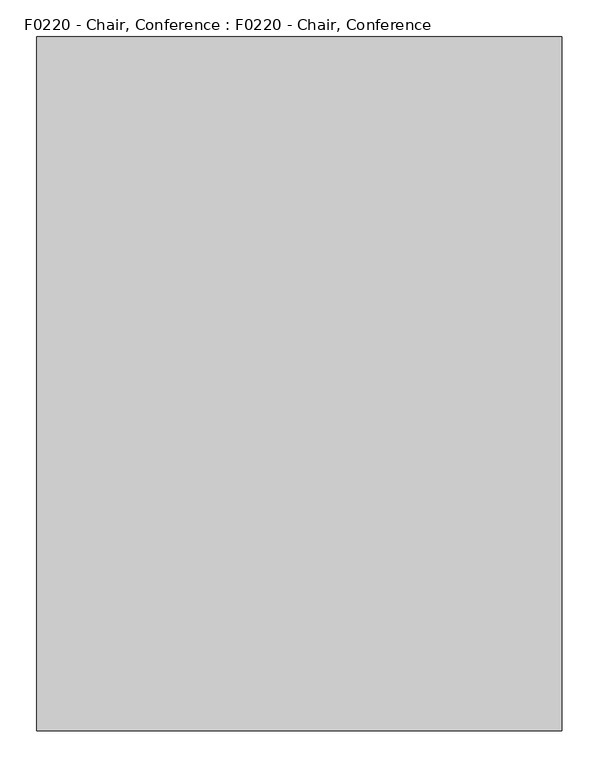
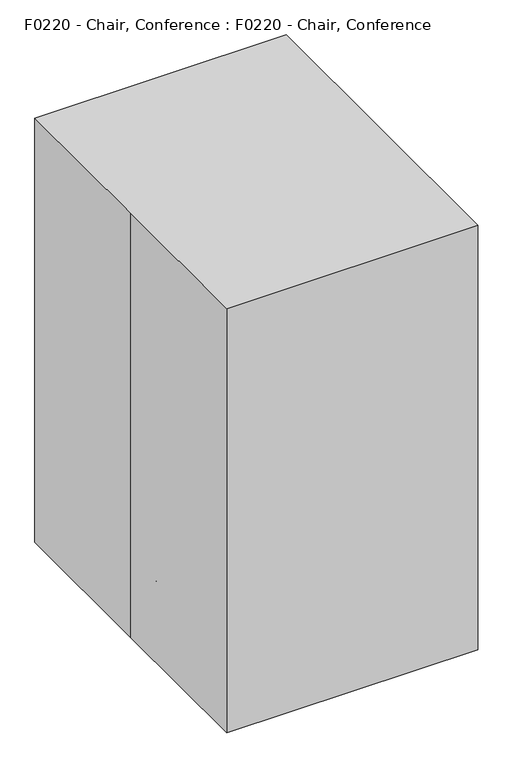
"""IFC4 building model written with IfcOpenShell, lengths in millimetres: proxy geometry, F0220 - Chair, Conference : F0220 - Chair, Conference."""

from ifc_helpers import new_model, si_unit, point, frame, frame_2d, origin, origin_with_axes, place, context, project, spatial, polyline, circle_curve, trimmed, segment, composite_curve, outline, extrude, source, transform, mapped, element, save


def f0220_chair_conference_f0220_chair_conference_108e408b(model_context):
    return source(origin(), model_context, "Body", "SweptSolid", [
        extrude(outline(composite_curve([segment(trimmed(circle_curve(frame_2d((-2805.3800547, 1304.0750987)), 3060.7285659), [point((198.0349358, 714.5348127))], [point((118.7343031, 399.8546738))], False, "CARTESIAN"), True, "CONTINUOUS"), segment(trimmed(circle_curve(frame_2d((100.534591, 405.4825492)), 19.05), [point((118.7343031, 399.8546738))], [point((105.1618297, 387.0030697))], False, "CARTESIAN"), True, "CONTINUOUS"), segment(trimmed(circle_curve(frame_2d((-162.2778089, 1455.0580424)), 1101.029239), [point((105.1618297, 387.0030697))], [point((-130.1679679, 354.4971204))], False, "CARTESIAN"), True, "CONTINUOUS"), segment(trimmed(circle_curve(frame_2d((-130.7253538, 373.6014546)), 19.1124636), [point((-130.1679679, 354.4971204))], [point((-149.3885196, 369.4816842))], False, "CARTESIAN"), True, "CONTINUOUS"), segment(trimmed(circle_curve(frame_2d((-3761.6361916, -374.3179053)), 3688.0307853), [point((-149.3885196, 369.4816842))], [point((-223.0180491, 664.7935973))], True, "CARTESIAN"), True, "CONTINUOUS"), segment(trimmed(circle_curve(frame_2d((-191.899909, 673.9314065)), 32.4320551), [point((-223.0180491, 664.7935973))], [point((-199.5454041, 705.4494109))], False, "CARTESIAN"), True, "CONTINUOUS"), segment(trimmed(circle_curve(frame_2d((247.6440644, -1138.0570375)), 1896.9698064), [point((-199.5454041, 705.4494109))], [point((148.1330889, 756.3009044))], False, "CARTESIAN"), True, "CONTINUOUS"), segment(trimmed(circle_curve(frame_2d((150.6388016, 708.6004709)), 47.766201), [point((148.1330889, 756.3009044))], [point((198.0349358, 714.5348127))], False, "CARTESIAN"), True, "CONTINUOUS")], self_intersect=False), holes=[composite_curve([segment(trimmed(circle_curve(frame_2d((-66.9177692, 461.5194098)), 6.35), [point((-73.1113918, 460.1188599))], [point((-66.5438386, 455.1804291))], True, "CARTESIAN"), True, "CONTINUOUS"), segment(trimmed(circle_curve(frame_2d((-101.0132299, 1039.5155642)), 585.350911), [point((-66.5438386, 455.1804291))], [point((128.3622175, 500.9781067))], True, "CARTESIAN"), True, "CONTINUOUS"), segment(trimmed(circle_curve(frame_2d((126.680533, 504.9264372)), 4.2915471), [point((128.3622175, 500.9781067))], [point((130.8903964, 504.0931145))], True, "CARTESIAN"), True, "CONTINUOUS"), segment(trimmed(circle_curve(frame_2d((-759.7794283, 778.2042207)), 931.8957212), [point((130.8903964, 504.0931145))], [point((168.8978085, 700.8205979))], True, "CARTESIAN"), True, "CONTINUOUS"), segment(trimmed(circle_curve(frame_2d((158.5019867, 704.2209179)), 10.9377917), [point((168.8978085, 700.8205979))], [point((158.6222944, 715.1580479))], True, "CARTESIAN"), True, "CONTINUOUS"), segment(trimmed(circle_curve(frame_2d((148.2190665, -230.5954958)), 945.8107594), [point((158.6222944, 715.1580479))], [point((-122.0525094, 675.777092))], True, "CARTESIAN"), True, "CONTINUOUS"), segment(trimmed(circle_curve(frame_2d((-120.2379556, 669.6918727)), 6.35), [point((-122.0525094, 675.777092))], [point((-126.3422335, 667.9425038))], True, "CARTESIAN"), True, "CONTINUOUS"), segment(trimmed(circle_curve(frame_2d((-3763.2236916, -374.3179053)), 3783.2807853), [point((-126.3422335, 667.9425038))], [point((-73.1113918, 460.1188599))], False, "CARTESIAN"), True, "CONTINUOUS")], self_intersect=False), composite_curve([segment(trimmed(circle_curve(frame_2d((75.1083774, 436.9373529)), 25.4), [point((100.5083774, 436.9373529))], [point((49.7083774, 436.9373529))], True, "CARTESIAN"), True, "CONTINUOUS"), segment(trimmed(circle_curve(frame_2d((75.1083774, 436.9373529)), 25.4), [point((49.7083774, 436.9373529))], [point((100.5083774, 436.9373529))], True, "CARTESIAN"), True, "CONTINUOUS")], self_intersect=False)]), frame((-314.9537243, 0.0, 0.0), z_axis=(1.0, 0.0, 0.0), x_axis=(0.0, 1.0, 0.0)), (0.0, 0.0, 1.0), 39.2620143),
        extrude(outline(composite_curve([segment(trimmed(circle_curve(frame_2d((-2805.3800547, 1304.0750987)), 3060.7285659), [point((198.0349358, 714.5348127))], [point((118.7343031, 399.8546738))], False, "CARTESIAN"), True, "CONTINUOUS"), segment(trimmed(circle_curve(frame_2d((100.534591, 405.4825492)), 19.05), [point((118.7343031, 399.8546738))], [point((105.1618297, 387.0030697))], False, "CARTESIAN"), True, "CONTINUOUS"), segment(trimmed(circle_curve(frame_2d((-162.2778089, 1455.0580424)), 1101.029239), [point((105.1618297, 387.0030697))], [point((-130.1679679, 354.4971204))], False, "CARTESIAN"), True, "CONTINUOUS"), segment(trimmed(circle_curve(frame_2d((-130.7253538, 373.6014546)), 19.1124636), [point((-130.1679679, 354.4971204))], [point((-149.3885196, 369.4816842))], False, "CARTESIAN"), True, "CONTINUOUS"), segment(trimmed(circle_curve(frame_2d((-3761.6361916, -374.3179053)), 3688.0307853), [point((-149.3885196, 369.4816842))], [point((-223.0180491, 664.7935973))], True, "CARTESIAN"), True, "CONTINUOUS"), segment(trimmed(circle_curve(frame_2d((-191.899909, 673.9314065)), 32.4320551), [point((-223.0180491, 664.7935973))], [point((-199.5454041, 705.4494109))], False, "CARTESIAN"), True, "CONTINUOUS"), segment(trimmed(circle_curve(frame_2d((247.6440644, -1138.0570375)), 1896.9698064), [point((-199.5454041, 705.4494109))], [point((148.1330889, 756.3009044))], False, "CARTESIAN"), True, "CONTINUOUS"), segment(trimmed(circle_curve(frame_2d((150.6388016, 708.6004709)), 47.766201), [point((148.1330889, 756.3009044))], [point((198.0349358, 714.5348127))], False, "CARTESIAN"), True, "CONTINUOUS")], self_intersect=False), holes=[composite_curve([segment(trimmed(circle_curve(frame_2d((-66.9177692, 461.5194098)), 6.35), [point((-73.1113918, 460.1188599))], [point((-66.5438386, 455.1804291))], True, "CARTESIAN"), True, "CONTINUOUS"), segment(trimmed(circle_curve(frame_2d((-101.0132299, 1039.5155642)), 585.350911), [point((-66.5438386, 455.1804291))], [point((128.3622175, 500.9781067))], True, "CARTESIAN"), True, "CONTINUOUS"), segment(trimmed(circle_curve(frame_2d((126.680533, 504.9264372)), 4.2915471), [point((128.3622175, 500.9781067))], [point((130.8903964, 504.0931145))], True, "CARTESIAN"), True, "CONTINUOUS"), segment(trimmed(circle_curve(frame_2d((-759.7794283, 778.2042207)), 931.8957212), [point((130.8903964, 504.0931145))], [point((168.8978085, 700.8205979))], True, "CARTESIAN"), True, "CONTINUOUS"), segment(trimmed(circle_curve(frame_2d((158.5019867, 704.2209179)), 10.9377917), [point((168.8978085, 700.8205979))], [point((158.6222944, 715.1580479))], True, "CARTESIAN"), True, "CONTINUOUS"), segment(trimmed(circle_curve(frame_2d((148.2190665, -230.5954958)), 945.8107594), [point((158.6222944, 715.1580479))], [point((-122.0525094, 675.777092))], True, "CARTESIAN"), True, "CONTINUOUS"), segment(trimmed(circle_curve(frame_2d((-120.2379556, 669.6918727)), 6.35), [point((-122.0525094, 675.777092))], [point((-126.3422335, 667.9425038))], True, "CARTESIAN"), True, "CONTINUOUS"), segment(trimmed(circle_curve(frame_2d((-3763.2236916, -374.3179053)), 3783.2807853), [point((-126.3422335, 667.9425038))], [point((-73.1113918, 460.1188599))], False, "CARTESIAN"), True, "CONTINUOUS")], self_intersect=False), composite_curve([segment(trimmed(circle_curve(frame_2d((75.1083774, 436.9373529)), 25.4), [point((100.5083774, 436.9373529))], [point((49.7083774, 436.9373529))], True, "CARTESIAN"), True, "CONTINUOUS"), segment(trimmed(circle_curve(frame_2d((75.1083774, 436.9373529)), 25.4), [point((49.7083774, 436.9373529))], [point((100.5083774, 436.9373529))], True, "CARTESIAN"), True, "CONTINUOUS")], self_intersect=False)]), frame((271.12451, 0.0, 0.0), z_axis=(1.0, 0.0, 0.0), x_axis=(0.0, 1.0, 0.0)), (0.0, 0.0, 1.0), 39.2620143),
        extrude(outline(composite_curve([segment(trimmed(circle_curve(frame_2d((-372.6484361, 451.7180208)), 272.1809011), [point((-111.7421407, 374.1915867))], [point((-101.095609, 433.2381658))], True, "CARTESIAN"), True, "CONTINUOUS"), segment(trimmed(circle_curve(frame_2d((-4835.7008841, 28959.843718)), 28916.8413116), [point((-101.095609, 433.2381658))], [point((373.7715771, 516.1254639))], True, "CARTESIAN"), True, "CONTINUOUS"), segment(trimmed(circle_curve(frame_2d((374.0108609, 514.8189745)), 1.3282211), [point((373.7715771, 516.1254639))], [point((375.3000584, 514.4993794))], False, "CARTESIAN"), True, "CONTINUOUS"), segment(trimmed(circle_curve(frame_2d((-98.7973004, 632.0292447)), 488.4481292), [point((375.3000584, 514.4993794))], [point((362.6416414, 471.8553457))], False, "CARTESIAN"), True, "CONTINUOUS"), segment(trimmed(circle_curve(frame_2d((339.6116127, 481.3140746)), 24.8967824), [point((362.6416414, 471.8553457))], [point((347.9694417, 457.8620711))], False, "CARTESIAN"), True, "CONTINUOUS"), segment(trimmed(circle_curve(frame_2d((-506.6033889, 2855.7868315)), 2545.6507771), [point((347.9694417, 457.8620711))], [point((134.5247888, 392.1934115))], False, "CARTESIAN"), True, "CONTINUOUS"), segment(trimmed(circle_curve(frame_2d((-37.6202721, 1053.676488)), 683.5157514), [point((134.5247888, 392.1934115))], [point((-111.7421407, 374.1915867))], False, "CARTESIAN"), True, "CONTINUOUS")], self_intersect=False)), frame((-231.12451, 0.0, 0.0), z_axis=(1.0, 0.0, 0.0), x_axis=(0.0, 1.0, 0.0)), (0.0, 0.0, 1.0), 462.24902),
        extrude(outline(composite_curve([segment(trimmed(circle_curve(frame_2d((-44.8596958, 442.8672983)), 56.1400902), [point((-100.1936839, 433.3878744))], [point((-57.4821948, 497.5699695))], False, "CARTESIAN"), True, "CONTINUOUS"), segment(polyline([(-57.4821948, 497.5699695), (329.2387988, 586.8048326)]), True, "CONTINUOUS"), segment(trimmed(circle_curve(frame_2d((337.8714769, 547.9478646)), 39.8043602), [point((329.2387988, 586.8048326))], [point((375.5072388, 534.9888325))], False, "CARTESIAN"), True, "CONTINUOUS"), segment(polyline([(375.5072388, 534.9888325), (368.6918771, 515.1955847)]), True, "CONTINUOUS"), segment(trimmed(circle_curve(frame_2d((-4835.7008841, 28959.843718)), 28916.8413116), [point((368.6918771, 515.1955847))], [point((-100.1936839, 433.3878744))], False, "CARTESIAN"), True, "CONTINUOUS")], self_intersect=False)), frame((-231.12451, 0.0, 0.0), z_axis=(1.0, 0.0, 0.0), x_axis=(0.0, 1.0, 0.0)), (0.0, 0.0, 1.0), 462.24902),
        extrude(outline(composite_curve([segment(trimmed(circle_curve(frame_2d((1417.0681516, 1299.9958146)), 1797.0375094), [point((-295.9217875, 756.8482485))], [point((-338.5503906, 916.3979206))], False, "CARTESIAN"), True, "CONTINUOUS"), segment(polyline([(-338.5503906, 916.3979206), (-343.4429244, 997.0848768)]), True, "CONTINUOUS"), segment(trimmed(circle_curve(frame_2d((-359.4080387, 996.1168162)), 15.994437), [point((-343.4429244, 997.0848768))], [point((-351.0750151, 1009.7690224))], True, "CARTESIAN"), True, "CONTINUOUS"), segment(trimmed(circle_curve(frame_2d((-311.3311922, 1022.0586876)), 41.6005688), [point((-351.0750151, 1009.7690224))], [point((-352.912507, 1020.7931497))], False, "CARTESIAN"), True, "CONTINUOUS"), segment(polyline([(-352.912507, 1020.7931497), (-358.8102884, 1056.1771922)]), True, "CONTINUOUS"), segment(trimmed(circle_curve(frame_2d((-620.7785538, 1012.5125498)), 265.5823282), [point((-358.8102884, 1056.1771922))], [point((-369.341096, 1098.0296701))], True, "CARTESIAN"), True, "CONTINUOUS"), segment(trimmed(circle_curve(frame_2d((-425.1925283, 1320.5559632)), 229.4282755), [point((-369.341096, 1098.0296701))], [point((-333.7884545, 1110.1215817))], True, "CARTESIAN"), True, "CONTINUOUS"), segment(trimmed(circle_curve(frame_2d((-333.0109639, 1071.4148884)), 38.7145011), [point((-333.7884545, 1110.1215817))], [point((-294.5727558, 1076.0318949))], False, "CARTESIAN"), True, "CONTINUOUS"), segment(trimmed(circle_curve(frame_2d((622.2402424, 1186.1549138)), 923.4030285), [point((-294.5727558, 1076.0318949))], [point((-168.0167595, 708.4865938))], True, "CARTESIAN"), True, "CONTINUOUS"), segment(trimmed(circle_curve(frame_2d((-464.9356368, 529.014927)), 346.945095), [point((-168.0167595, 708.4865938))], [point((-117.9905419, 529.014927))], False, "CARTESIAN"), True, "CONTINUOUS"), segment(trimmed(circle_curve(frame_2d((-25.2199729, 533.915415)), 92.8999099), [point((-117.9905419, 529.014927))], [point((-93.4923537, 470.9132304))], True, "CARTESIAN"), True, "CONTINUOUS"), segment(trimmed(circle_curve(frame_2d((-44.8596958, 442.8672983)), 56.1400902), [point((-93.4923537, 470.9132304))], [point((-100.8041808, 438.1849573))], True, "CARTESIAN"), True, "CONTINUOUS"), segment(trimmed(circle_curve(frame_2d((-372.6484361, 451.7180208)), 272.1809011), [point((-100.8041808, 438.1849573))], [point((-111.7421407, 374.1915867))], False, "CARTESIAN"), True, "CONTINUOUS"), segment(trimmed(circle_curve(frame_2d((-37.6202721, 1053.676488)), 683.5157514), [point((-111.7421407, 374.1915867))], [point((-185.0647937, 386.2531624))], False, "CARTESIAN"), True, "CONTINUOUS"), segment(trimmed(circle_curve(frame_2d((-980.7819949, 338.7683792)), 797.1327801), [point((-185.0647937, 386.2531624))], [point((-257.4089128, 673.6594855))], True, "CARTESIAN"), True, "CONTINUOUS"), segment(polyline([(-257.4089128, 673.6594855), (-295.9217875, 756.8482485)]), True, "CONTINUOUS")], self_intersect=False)), frame((-254.858255, 0.0, 0.0), z_axis=(1.0, 0.0, 0.0), x_axis=(0.0, 1.0, 0.0)), (0.0, 0.0, 1.0), 503.733745),
        extrude(outline(polyline([(-355.6, -469.9), (-355.6, 0.0), (-355.6, 469.9), (355.6, 469.9), (355.6, -469.9), (-355.6, -469.9)])), origin_with_axes(), (0.0, 0.0, 1.0), 1270.0),
        extrude(outline(composite_curve([segment(trimmed(circle_curve(frame_2d((-0.6296958, -64.6591719)), 25.4), [point((-26.0296958, -64.6591719))], [point((24.7703042, -64.6591719))], False, "CARTESIAN"), True, "CONTINUOUS"), segment(trimmed(circle_curve(frame_2d((-0.6296958, -64.6591719)), 25.4), [point((24.7703042, -64.6591719))], [point((-26.0296958, -64.6591719))], False, "CARTESIAN"), True, "CONTINUOUS")], self_intersect=False)), frame((0.0, 0.0, 52.893233), z_axis=(0.0, 0.0, 1.0), x_axis=(1.0, 0.0, 0.0)), (0.0, 0.0, 1.0), 330.5914056),
        extrude(outline(composite_curve([segment(trimmed(circle_curve(frame_2d((0.0, 28.2002727)), 28.2002727), [point((0.0, 56.4005454))], [point((0.0, 0.0))], False, "CARTESIAN"), True, "CONTINUOUS"), segment(trimmed(circle_curve(frame_2d((0.0, 28.2002727)), 28.2002727), [point((0.0, 0.0))], [point((0.0, 56.4005454))], False, "CARTESIAN"), True, "CONTINUOUS")], self_intersect=False)), frame((320.3017696, -195.6432667, 27.493233), z_axis=(0.3090169943749423, 0.9510565162951553, 0.0), x_axis=(0.0, 0.0, -1.0)), (0.0, 0.0, 1.0), 50.8),
        extrude(outline(composite_curve([segment(polyline([(25.4, 0.0), (0.0, 0.0), (0.0, 50.8000001), (24.303053, 50.8000001)]), True, "CONTINUOUS"), segment(trimmed(circle_curve(frame_2d((24.303053, 25.4)), 25.4), [point((24.303053, 50.8000001))], [point((49.3171699, 29.8106637))], False, "CARTESIAN"), True, "CONTINUOUS"), segment(polyline([(49.3171699, 29.8106637), (101.6, -266.7), (101.6, -292.1), (25.4, -292.1), (25.4, 0.0)]), True, "CONTINUOUS")], self_intersect=False)), frame((275.2116547, -160.9622448, 27.493233), z_axis=(0.3090169943749423, 0.9510565162951553, 0.0), x_axis=(0.0, 0.0, 1.0)), (0.0, 0.0, 1.0), 12.7),
        extrude(outline(composite_curve([segment(trimmed(circle_curve(frame_2d((0.0, 28.2002727)), 28.2002727), [point((0.0, 56.4005455))], [point((0.0, 0.0))], False, "CARTESIAN"), True, "CONTINUOUS"), segment(trimmed(circle_curve(frame_2d((0.0, 28.2002727)), 28.2002727), [point((0.0, 0.0))], [point((0.0, 56.4005455))], False, "CARTESIAN"), True, "CONTINUOUS")], self_intersect=False)), frame((223.1168579, 200.0884783, 27.493233), z_axis=(-0.8090169943749499, 0.5877852522924699, 0.0), x_axis=(0.0, 0.0, -1.0)), (0.0, 0.0, 1.0), 50.8),
        extrude(outline(composite_curve([segment(polyline([(25.4, 0.0), (0.0, 0.0), (0.0, 50.8), (24.303053, 50.8)]), True, "CONTINUOUS"), segment(trimmed(circle_curve(frame_2d((24.303053, 25.4)), 25.4), [point((24.303053, 50.8))], [point((49.3171699, 29.8106638))], False, "CARTESIAN"), True, "CONTINUOUS"), segment(polyline([(49.3171699, 29.8106638), (101.6, -266.6999999), (101.6, -292.1), (25.4, -292.1), (25.4, 0.0)]), True, "CONTINUOUS")], self_intersect=False)), frame((176.1996343, 167.9222558, 27.493233), z_axis=(-0.8090169943749499, 0.5877852522924699, 0.0), x_axis=(0.0, 0.0, 1.0)), (0.0, 0.0, 1.0), 12.7),
        extrude(outline(composite_curve([segment(trimmed(circle_curve(frame_2d((0.0, 28.2002727)), 28.2002727), [point((0.0, 56.4005455))], [point((0.0, 0.0))], False, "CARTESIAN"), True, "CONTINUOUS"), segment(trimmed(circle_curve(frame_2d((0.0, 28.2002727)), 28.2002727), [point((0.0, 0.0))], [point((0.0, 56.4005455))], False, "CARTESIAN"), True, "CONTINUOUS")], self_intersect=False)), frame((-224.3762494, 200.0884783, 27.493233), z_axis=(0.8090169943749458, 0.5877852522924754, 0.0), x_axis=(0.0, 0.0, 1.0)), (0.0, 0.0, 1.0), 50.8),
        extrude(outline(composite_curve([segment(polyline([(-25.4, 0.0), (-25.4, -292.1), (-101.6, -292.1), (-101.6, -266.7), (-49.3171699, 29.8106638)]), True, "CONTINUOUS"), segment(trimmed(circle_curve(frame_2d((-24.303053, 25.4)), 25.4), [point((-49.3171699, 29.8106638))], [point((-24.303053, 50.8))], False, "CARTESIAN"), True, "CONTINUOUS"), segment(polyline([(-24.303053, 50.8), (0.0, 50.8), (0.0, 0.0), (-25.4, 0.0)]), True, "CONTINUOUS")], self_intersect=False)), frame((-177.4590259, 167.9222558, 27.493233), z_axis=(0.8090169943749459, 0.5877852522924754, 0.0), x_axis=(0.0, 0.0, -1.0)), (0.0, 0.0, 1.0), 12.7),
        extrude(outline(composite_curve([segment(trimmed(circle_curve(frame_2d((0.0, 28.2002728)), 28.2002727), [point((0.0, 56.4005455))], [point((0.0, 0.0))], False, "CARTESIAN"), True, "CONTINUOUS"), segment(trimmed(circle_curve(frame_2d((0.0, 28.2002728)), 28.2002727), [point((0.0, 0.0))], [point((0.0, 56.4005455))], False, "CARTESIAN"), True, "CONTINUOUS")], self_intersect=False)), frame((-321.5611612, -195.6432667, 27.493233), z_axis=(-0.3090169943749487, 0.9510565162951532, 0.0), x_axis=(0.0, 0.0, 1.0)), (0.0, 0.0, 1.0), 50.8),
        extrude(outline(composite_curve([segment(polyline([(-25.4, 0.0), (-25.4, -292.1), (-101.6, -292.1), (-101.6, -266.7), (-49.3171699, 29.8106636)]), True, "CONTINUOUS"), segment(trimmed(circle_curve(frame_2d((-24.303053, 25.4)), 25.4), [point((-49.3171699, 29.8106636))], [point((-24.303053, 50.8))], False, "CARTESIAN"), True, "CONTINUOUS"), segment(polyline([(-24.303053, 50.8), (0.0, 50.8), (0.0, 0.0), (-25.4, 0.0)]), True, "CONTINUOUS")], self_intersect=False)), frame((-276.4710463, -160.9622448, 27.493233), z_axis=(-0.3090169943749487, 0.9510565162951532, 0.0), x_axis=(0.0, 0.0, -1.0)), (0.0, 0.0, 1.0), 12.7),
        extrude(outline(composite_curve([segment(trimmed(circle_curve(frame_2d((-382.1591719, 27.493233)), 28.2002727), [point((-353.9588992, 27.493233))], [point((-410.3594446, 27.493233))], False, "CARTESIAN"), True, "CONTINUOUS"), segment(trimmed(circle_curve(frame_2d((-382.1591719, 27.493233)), 28.2002727), [point((-410.3594446, 27.493233))], [point((-353.9588992, 27.493233))], False, "CARTESIAN"), True, "CONTINUOUS")], self_intersect=False)), frame((-26.0296958, 0.0, 0.0), z_axis=(1.0, 0.0, 0.0), x_axis=(0.0, 1.0, 0.0)), (0.0, 0.0, 1.0), 50.8),
        extrude(outline(composite_curve([segment(polyline([(-356.7591719, 52.893233), (-356.7591719, 27.493233), (-407.5591719, 27.493233), (-407.5591719, 51.796286)]), True, "CONTINUOUS"), segment(trimmed(circle_curve(frame_2d((-382.1591719, 51.796286)), 25.4), [point((-407.5591719, 51.796286))], [point((-386.5698356, 76.8104029))], False, "CARTESIAN"), True, "CONTINUOUS"), segment(polyline([(-386.5698356, 76.8104029), (-90.0591719, 129.093233), (-64.6591719, 129.093233), (-64.6591719, 52.893233), (-356.7591719, 52.893233)]), True, "CONTINUOUS")], self_intersect=False)), frame((-6.9796958, 0.0, 0.0), z_axis=(1.0, 0.0, 0.0), x_axis=(0.0, 1.0, 0.0)), (0.0, 0.0, 1.0), 12.7),
        extrude(outline(polyline([(-115.4591719, 523.093233), (-26.5591719, 523.093233), (-26.5591719, 422.405052), (-64.6591719, 422.405052), (-115.4591719, 510.393233), (-115.4591719, 523.093233)])), frame((-51.4296958, 0.0, 0.0), z_axis=(1.0, 0.0, 0.0), x_axis=(0.0, 1.0, 0.0)), (0.0, 0.0, 1.0), 101.6),
    ])


if __name__ == "__main__":
    model = new_model("IFC4")
    model_context = context("Model", 3, world=origin())
    ifc_project = project(units=[si_unit("LENGTHUNIT", "METRE", prefix="MILLI")], contexts=[model_context])
    site = spatial("IfcSite", under=ifc_project)
    building = spatial("IfcBuilding", under=site)
    placement = place(None, origin())
    f0220_chair_conference_f0220_chair_conference_shape = f0220_chair_conference_f0220_chair_conference_108e408b(model_context)
    element("IfcBuildingElementProxy", 1, Name="F0220 - Chair, Conference : F0220 - Chair, Conference", ObjectType="F0220 - Chair, Conference : F0220 - Chair, Conference", at=placement, inside=building, context=model_context, shape_type="MappedRepresentation", body=[
        mapped(f0220_chair_conference_f0220_chair_conference_shape, transform((0.0, 0.0, 0.0), x_axis=(1.0, 0.0, 0.0), y_axis=(0.0, 1.0, 0.0), z_axis=(0.0, 0.0, 1.0))),
    ])
    save(model, "model.ifc")
